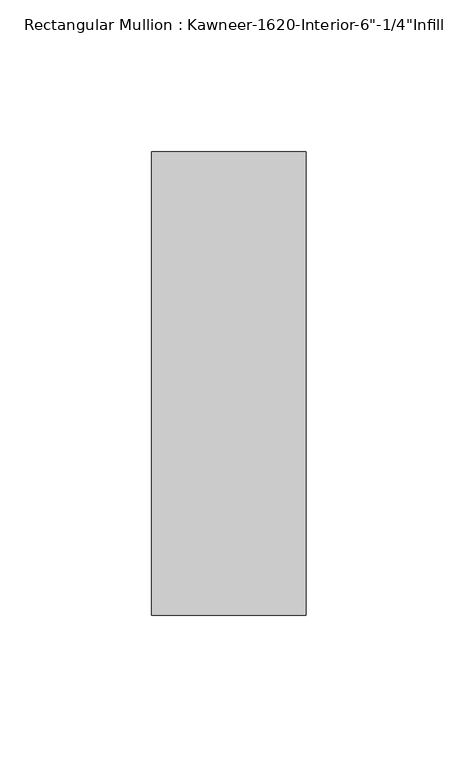
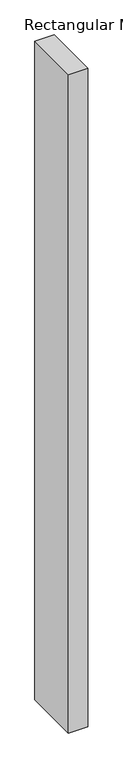
"""IFC4 building model written with IfcOpenShell, lengths in millimetres: member geometry."""

from ifc_helpers import new_model, si_unit, frame, origin, place, context, project, spatial, polyline, outline, extrude, source, transform, mapped, element, save


def member_997108ac(model_context):
    return source(origin(), model_context, "Body", "SweptSolid", [
        extrude(outline(polyline([(25.4, -123.825), (-25.4, -123.825), (-25.4, 28.575), (25.4, 28.575), (25.4, -123.825)])), frame((0.0, 0.0, -1828.8), z_axis=(0.0, 0.0, 1.0), x_axis=(1.0, 0.0, 0.0)), (0.0, 0.0, 1.0), 1828.8),
    ])


if __name__ == "__main__":
    model = new_model("IFC4")
    model_context = context("Model", 3, world=origin())
    ifc_project = project(units=[si_unit("LENGTHUNIT", "METRE", prefix="MILLI")], contexts=[model_context])
    site = spatial("IfcSite", under=ifc_project)
    building = spatial("IfcBuilding", under=site)
    placement = place(None, origin())
    member_shape = member_997108ac(model_context)
    element("IfcMember", 1, ObjectType="Rectangular Mullion : Kawneer-1620-Interior-6\"-1/4\"Infill", at=placement, inside=building, context=model_context, shape_type="MappedRepresentation", body=[
        mapped(member_shape, transform((0.0, 0.0, 0.0), x_axis=(1.0, 0.0, 0.0), y_axis=(0.0, 1.0, 0.0), z_axis=(0.0, 0.0, 1.0))),
    ])
    save(model, "model.ifc")
